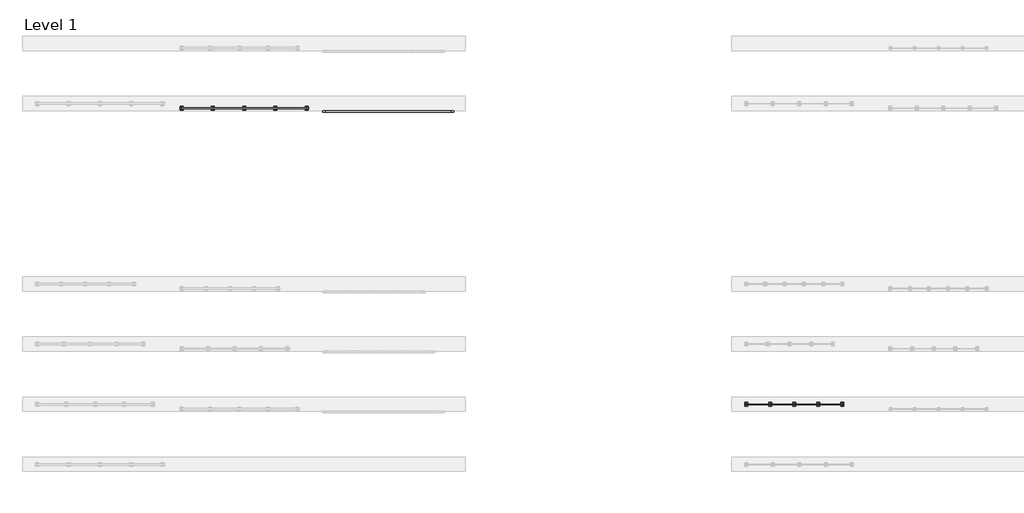
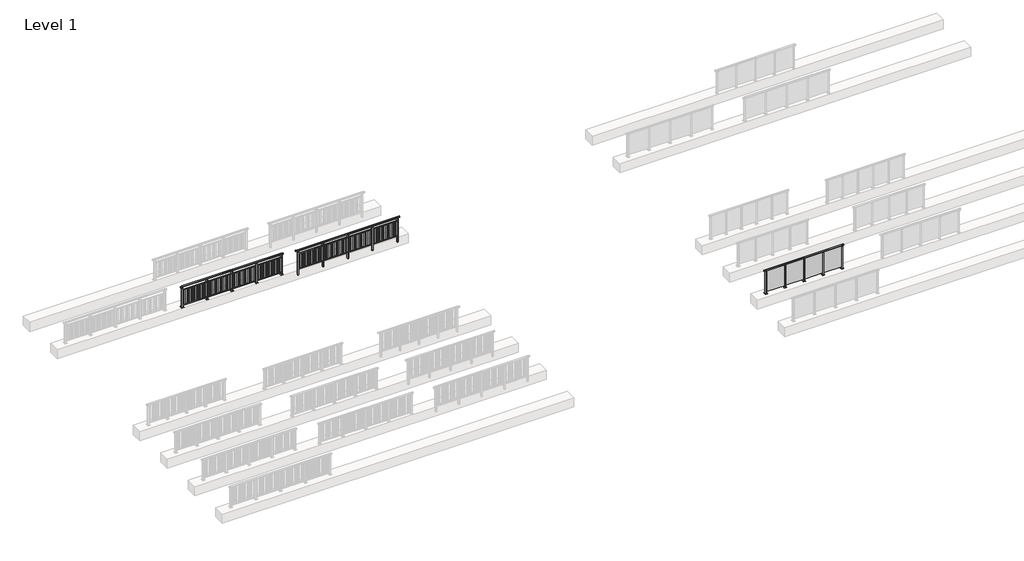
# One storey, part 16 of 38: 3 railings.
"""IFC4 building model written with IfcOpenShell, lengths in millimetres."""

from ifc_helpers import new_model, si_unit, frame, origin, origin_with_axes, place, context, project, spatial, polyline, outline, extrude, faceted_brep, element, save

model = new_model("IFC4")

# Units and contexts
model_context = context("Model", 3, world=origin())
ifc_project = project(units=[si_unit("LENGTHUNIT", "METRE", prefix="MILLI")], contexts=[model_context])

# Site, building, storey
site = spatial("IfcSite", under=ifc_project)
building = spatial("IfcBuilding", under=site)
storey = spatial("IfcBuildingStorey", under=building, Name="Level 1", Elevation=0.0)

# Railings
placement = place(None, origin())
element("IfcRailing", 1, at=placement, inside=storey, context=model_context, shape_type="SolidModel", body=[
    faceted_brep([(12000.0, 29897.6846828, 1102.5), (12000.0, 29897.6846828, 1150.0), (17200.0, 29897.6846828, 1150.0), (17200.0, 29897.6846828, 1102.5), (12000.0, 29837.6846828, 1102.5), (17200.0, 29837.6846828, 1102.5), (12000.0, 29837.6846828, 1150.0), (17200.0, 29837.6846828, 1150.0), (11877.0, 29897.6846828, 1150.0), (11877.0, 29897.6846828, 1102.5), (11877.0, 29837.6846828, 1102.5), (11877.0, 29837.6846828, 1150.0), (17323.0, 29897.6846828, 1150.0), (17323.0, 29837.6846828, 1150.0), (17323.0, 29837.6846828, 1102.5), (17323.0, 29897.6846828, 1102.5)], [[[0, 1, 2, 3]], [[4, 0, 3, 5]], [[6, 4, 5, 7]], [[1, 6, 7, 2]], [[8, 9, 10, 11]], [[9, 8, 1, 0]], [[10, 9, 0, 4]], [[11, 10, 4, 6]], [[8, 11, 6, 1]], [[12, 13, 14, 15]], [[3, 2, 12, 15]], [[5, 3, 15, 14]], [[7, 5, 14, 13]], [[2, 7, 13, 12]]]),
    extrude(outline(polyline([(12000.0, 29849.6846828), (12000.0, 29885.6846828), (17200.0, 29885.6846828), (17200.0, 29849.6846828), (12000.0, 29849.6846828)])), frame((0.0, 0.0, 928.0), z_axis=(0.0, 0.0, 1.0), x_axis=(1.0, 0.0, 0.0)), (0.0, 0.0, 1.0), 32.0),
    extrude(outline(polyline([(12000.0, 29849.6846828), (12000.0, 29885.6846828), (17200.0, 29885.6846828), (17200.0, 29849.6846828), (12000.0, 29849.6846828)])), frame((0.0, 0.0, 93.0), z_axis=(0.0, 0.0, 1.0), x_axis=(1.0, 0.0, 0.0)), (0.0, 0.0, 1.0), 32.0),
    extrude(outline(polyline([(17078.5106952, 29859.1846828), (17029.5106952, 29859.1846828), (17029.5106952, 29876.1846828), (17078.5106952, 29876.1846828), (17078.5106952, 29859.1846828)])), frame((0.0, 0.0, 125.0), z_axis=(0.0, 0.0, 1.0), x_axis=(1.0, 0.0, 0.0)), (0.0, 0.0, 1.0), 803.0),
    extrude(outline(polyline([(16934.5076394, 29859.1846828), (16885.5076394, 29859.1846828), (16885.5076394, 29876.1846828), (16934.5076394, 29876.1846828), (16934.5076394, 29859.1846828)])), frame((0.0, 0.0, 125.0), z_axis=(0.0, 0.0, 1.0), x_axis=(1.0, 0.0, 0.0)), (0.0, 0.0, 1.0), 803.0),
    extrude(outline(polyline([(16790.5045837, 29859.1846828), (16741.5045837, 29859.1846828), (16741.5045837, 29876.1846828), (16790.5045837, 29876.1846828), (16790.5045837, 29859.1846828)])), frame((0.0, 0.0, 125.0), z_axis=(0.0, 0.0, 1.0), x_axis=(1.0, 0.0, 0.0)), (0.0, 0.0, 1.0), 803.0),
    extrude(outline(polyline([(16646.5015279, 29859.1846828), (16597.5015279, 29859.1846828), (16597.5015279, 29876.1846828), (16646.5015279, 29876.1846828), (16646.5015279, 29859.1846828)])), frame((0.0, 0.0, 125.0), z_axis=(0.0, 0.0, 1.0), x_axis=(1.0, 0.0, 0.0)), (0.0, 0.0, 1.0), 803.0),
    extrude(outline(polyline([(16502.4984721, 29859.1846828), (16453.4984721, 29859.1846828), (16453.4984721, 29876.1846828), (16502.4984721, 29876.1846828), (16502.4984721, 29859.1846828)])), frame((0.0, 0.0, 125.0), z_axis=(0.0, 0.0, 1.0), x_axis=(1.0, 0.0, 0.0)), (0.0, 0.0, 1.0), 803.0),
    extrude(outline(polyline([(16358.4954163, 29859.1846828), (16309.4954163, 29859.1846828), (16309.4954163, 29876.1846828), (16358.4954163, 29876.1846828), (16358.4954163, 29859.1846828)])), frame((0.0, 0.0, 125.0), z_axis=(0.0, 0.0, 1.0), x_axis=(1.0, 0.0, 0.0)), (0.0, 0.0, 1.0), 803.0),
    extrude(outline(polyline([(16214.4923606, 29859.1846828), (16165.4923606, 29859.1846828), (16165.4923606, 29876.1846828), (16214.4923606, 29876.1846828), (16214.4923606, 29859.1846828)])), frame((0.0, 0.0, 125.0), z_axis=(0.0, 0.0, 1.0), x_axis=(1.0, 0.0, 0.0)), (0.0, 0.0, 1.0), 803.0),
    extrude(outline(polyline([(16070.4893048, 29859.1846828), (16021.4893048, 29859.1846828), (16021.4893048, 29876.1846828), (16070.4893048, 29876.1846828), (16070.4893048, 29859.1846828)])), frame((0.0, 0.0, 125.0), z_axis=(0.0, 0.0, 1.0), x_axis=(1.0, 0.0, 0.0)), (0.0, 0.0, 1.0), 803.0),
    extrude(outline(polyline([(15927.0, 29906.6846828), (15927.0, 29828.6846828), (15873.0, 29828.6846828), (15873.0, 29906.6846828), (15927.0, 29906.6846828)])), frame((0.0, 0.0, 1077.0), z_axis=(0.0, 0.0, 1.0), x_axis=(1.0, 0.0, 0.0)), (0.0, 0.0, 1.0), 8.0),
    extrude(outline(polyline([(15927.0, 29906.6846828), (15927.0, 29828.6846828), (15873.0, 29828.6846828), (15873.0, 29906.6846828), (15927.0, 29906.6846828)])), frame((0.0, 0.0, -212.0), z_axis=(0.0, 0.0, 1.0), x_axis=(1.0, 0.0, 0.0)), (0.0, 0.0, 1.0), 1289.0),
    extrude(outline(polyline([(15910.0, 29877.6846828), (15910.0, 29857.6846828), (15890.0, 29857.6846828), (15890.0, 29877.6846828), (15910.0, 29877.6846828)])), frame((0.0, 0.0, 1085.0), z_axis=(0.0, 0.0, 1.0), x_axis=(1.0, 0.0, 0.0)), (0.0, 0.0, 1.0), 20.0),
    extrude(outline(polyline([(15927.0, 29906.6846828), (15927.0, 29828.6846828), (15873.0, 29828.6846828), (15873.0, 29906.6846828), (15927.0, 29906.6846828)])), frame((0.0, 0.0, -220.0), z_axis=(0.0, 0.0, 1.0), x_axis=(1.0, 0.0, 0.0)), (0.0, 0.0, 1.0), 8.0),
    extrude(outline(polyline([(15778.5106952, 29859.1846828), (15729.5106952, 29859.1846828), (15729.5106952, 29876.1846828), (15778.5106952, 29876.1846828), (15778.5106952, 29859.1846828)])), frame((0.0, 0.0, 125.0), z_axis=(0.0, 0.0, 1.0), x_axis=(1.0, 0.0, 0.0)), (0.0, 0.0, 1.0), 803.0),
    extrude(outline(polyline([(15634.5076394, 29859.1846828), (15585.5076394, 29859.1846828), (15585.5076394, 29876.1846828), (15634.5076394, 29876.1846828), (15634.5076394, 29859.1846828)])), frame((0.0, 0.0, 125.0), z_axis=(0.0, 0.0, 1.0), x_axis=(1.0, 0.0, 0.0)), (0.0, 0.0, 1.0), 803.0),
    extrude(outline(polyline([(15490.5045837, 29859.1846828), (15441.5045837, 29859.1846828), (15441.5045837, 29876.1846828), (15490.5045837, 29876.1846828), (15490.5045837, 29859.1846828)])), frame((0.0, 0.0, 125.0), z_axis=(0.0, 0.0, 1.0), x_axis=(1.0, 0.0, 0.0)), (0.0, 0.0, 1.0), 803.0),
    extrude(outline(polyline([(15346.5015279, 29859.1846828), (15297.5015279, 29859.1846828), (15297.5015279, 29876.1846828), (15346.5015279, 29876.1846828), (15346.5015279, 29859.1846828)])), frame((0.0, 0.0, 125.0), z_axis=(0.0, 0.0, 1.0), x_axis=(1.0, 0.0, 0.0)), (0.0, 0.0, 1.0), 803.0),
    extrude(outline(polyline([(15202.4984721, 29859.1846828), (15153.4984721, 29859.1846828), (15153.4984721, 29876.1846828), (15202.4984721, 29876.1846828), (15202.4984721, 29859.1846828)])), frame((0.0, 0.0, 125.0), z_axis=(0.0, 0.0, 1.0), x_axis=(1.0, 0.0, 0.0)), (0.0, 0.0, 1.0), 803.0),
    extrude(outline(polyline([(15058.4954163, 29859.1846828), (15009.4954163, 29859.1846828), (15009.4954163, 29876.1846828), (15058.4954163, 29876.1846828), (15058.4954163, 29859.1846828)])), frame((0.0, 0.0, 125.0), z_axis=(0.0, 0.0, 1.0), x_axis=(1.0, 0.0, 0.0)), (0.0, 0.0, 1.0), 803.0),
    extrude(outline(polyline([(14914.4923606, 29859.1846828), (14865.4923606, 29859.1846828), (14865.4923606, 29876.1846828), (14914.4923606, 29876.1846828), (14914.4923606, 29859.1846828)])), frame((0.0, 0.0, 125.0), z_axis=(0.0, 0.0, 1.0), x_axis=(1.0, 0.0, 0.0)), (0.0, 0.0, 1.0), 803.0),
    extrude(outline(polyline([(14770.4893048, 29859.1846828), (14721.4893048, 29859.1846828), (14721.4893048, 29876.1846828), (14770.4893048, 29876.1846828), (14770.4893048, 29859.1846828)])), frame((0.0, 0.0, 125.0), z_axis=(0.0, 0.0, 1.0), x_axis=(1.0, 0.0, 0.0)), (0.0, 0.0, 1.0), 803.0),
    extrude(outline(polyline([(14627.0, 29906.6846828), (14627.0, 29828.6846828), (14573.0, 29828.6846828), (14573.0, 29906.6846828), (14627.0, 29906.6846828)])), frame((0.0, 0.0, 1077.0), z_axis=(0.0, 0.0, 1.0), x_axis=(1.0, 0.0, 0.0)), (0.0, 0.0, 1.0), 8.0),
    extrude(outline(polyline([(14627.0, 29906.6846828), (14627.0, 29828.6846828), (14573.0, 29828.6846828), (14573.0, 29906.6846828), (14627.0, 29906.6846828)])), frame((0.0, 0.0, -212.0), z_axis=(0.0, 0.0, 1.0), x_axis=(1.0, 0.0, 0.0)), (0.0, 0.0, 1.0), 1289.0),
    extrude(outline(polyline([(14610.0, 29877.6846828), (14610.0, 29857.6846828), (14590.0, 29857.6846828), (14590.0, 29877.6846828), (14610.0, 29877.6846828)])), frame((0.0, 0.0, 1085.0), z_axis=(0.0, 0.0, 1.0), x_axis=(1.0, 0.0, 0.0)), (0.0, 0.0, 1.0), 20.0),
    extrude(outline(polyline([(14627.0, 29906.6846828), (14627.0, 29828.6846828), (14573.0, 29828.6846828), (14573.0, 29906.6846828), (14627.0, 29906.6846828)])), frame((0.0, 0.0, -220.0), z_axis=(0.0, 0.0, 1.0), x_axis=(1.0, 0.0, 0.0)), (0.0, 0.0, 1.0), 8.0),
    extrude(outline(polyline([(14478.5106952, 29859.1846828), (14429.5106952, 29859.1846828), (14429.5106952, 29876.1846828), (14478.5106952, 29876.1846828), (14478.5106952, 29859.1846828)])), frame((0.0, 0.0, 125.0), z_axis=(0.0, 0.0, 1.0), x_axis=(1.0, 0.0, 0.0)), (0.0, 0.0, 1.0), 803.0),
    extrude(outline(polyline([(14334.5076394, 29859.1846828), (14285.5076394, 29859.1846828), (14285.5076394, 29876.1846828), (14334.5076394, 29876.1846828), (14334.5076394, 29859.1846828)])), frame((0.0, 0.0, 125.0), z_axis=(0.0, 0.0, 1.0), x_axis=(1.0, 0.0, 0.0)), (0.0, 0.0, 1.0), 803.0),
    extrude(outline(polyline([(14190.5045837, 29859.1846828), (14141.5045837, 29859.1846828), (14141.5045837, 29876.1846828), (14190.5045837, 29876.1846828), (14190.5045837, 29859.1846828)])), frame((0.0, 0.0, 125.0), z_axis=(0.0, 0.0, 1.0), x_axis=(1.0, 0.0, 0.0)), (0.0, 0.0, 1.0), 803.0),
    extrude(outline(polyline([(14046.5015279, 29859.1846828), (13997.5015279, 29859.1846828), (13997.5015279, 29876.1846828), (14046.5015279, 29876.1846828), (14046.5015279, 29859.1846828)])), frame((0.0, 0.0, 125.0), z_axis=(0.0, 0.0, 1.0), x_axis=(1.0, 0.0, 0.0)), (0.0, 0.0, 1.0), 803.0),
    extrude(outline(polyline([(13902.4984721, 29859.1846828), (13853.4984721, 29859.1846828), (13853.4984721, 29876.1846828), (13902.4984721, 29876.1846828), (13902.4984721, 29859.1846828)])), frame((0.0, 0.0, 125.0), z_axis=(0.0, 0.0, 1.0), x_axis=(1.0, 0.0, 0.0)), (0.0, 0.0, 1.0), 803.0),
    extrude(outline(polyline([(13758.4954163, 29859.1846828), (13709.4954163, 29859.1846828), (13709.4954163, 29876.1846828), (13758.4954163, 29876.1846828), (13758.4954163, 29859.1846828)])), frame((0.0, 0.0, 125.0), z_axis=(0.0, 0.0, 1.0), x_axis=(1.0, 0.0, 0.0)), (0.0, 0.0, 1.0), 803.0),
    extrude(outline(polyline([(13614.4923606, 29859.1846828), (13565.4923606, 29859.1846828), (13565.4923606, 29876.1846828), (13614.4923606, 29876.1846828), (13614.4923606, 29859.1846828)])), frame((0.0, 0.0, 125.0), z_axis=(0.0, 0.0, 1.0), x_axis=(1.0, 0.0, 0.0)), (0.0, 0.0, 1.0), 803.0),
    extrude(outline(polyline([(13470.4893048, 29859.1846828), (13421.4893048, 29859.1846828), (13421.4893048, 29876.1846828), (13470.4893048, 29876.1846828), (13470.4893048, 29859.1846828)])), frame((0.0, 0.0, 125.0), z_axis=(0.0, 0.0, 1.0), x_axis=(1.0, 0.0, 0.0)), (0.0, 0.0, 1.0), 803.0),
    extrude(outline(polyline([(13327.0, 29906.6846828), (13327.0, 29828.6846828), (13273.0, 29828.6846828), (13273.0, 29906.6846828), (13327.0, 29906.6846828)])), frame((0.0, 0.0, 1077.0), z_axis=(0.0, 0.0, 1.0), x_axis=(1.0, 0.0, 0.0)), (0.0, 0.0, 1.0), 8.0),
    extrude(outline(polyline([(13327.0, 29906.6846828), (13327.0, 29828.6846828), (13273.0, 29828.6846828), (13273.0, 29906.6846828), (13327.0, 29906.6846828)])), frame((0.0, 0.0, -212.0), z_axis=(0.0, 0.0, 1.0), x_axis=(1.0, 0.0, 0.0)), (0.0, 0.0, 1.0), 1289.0),
    extrude(outline(polyline([(13310.0, 29877.6846828), (13310.0, 29857.6846828), (13290.0, 29857.6846828), (13290.0, 29877.6846828), (13310.0, 29877.6846828)])), frame((0.0, 0.0, 1085.0), z_axis=(0.0, 0.0, 1.0), x_axis=(1.0, 0.0, 0.0)), (0.0, 0.0, 1.0), 20.0),
    extrude(outline(polyline([(13327.0, 29906.6846828), (13327.0, 29828.6846828), (13273.0, 29828.6846828), (13273.0, 29906.6846828), (13327.0, 29906.6846828)])), frame((0.0, 0.0, -220.0), z_axis=(0.0, 0.0, 1.0), x_axis=(1.0, 0.0, 0.0)), (0.0, 0.0, 1.0), 8.0),
    extrude(outline(polyline([(13178.5106952, 29859.1846828), (13129.5106952, 29859.1846828), (13129.5106952, 29876.1846828), (13178.5106952, 29876.1846828), (13178.5106952, 29859.1846828)])), frame((0.0, 0.0, 125.0), z_axis=(0.0, 0.0, 1.0), x_axis=(1.0, 0.0, 0.0)), (0.0, 0.0, 1.0), 803.0),
    extrude(outline(polyline([(13034.5076394, 29859.1846828), (12985.5076394, 29859.1846828), (12985.5076394, 29876.1846828), (13034.5076394, 29876.1846828), (13034.5076394, 29859.1846828)])), frame((0.0, 0.0, 125.0), z_axis=(0.0, 0.0, 1.0), x_axis=(1.0, 0.0, 0.0)), (0.0, 0.0, 1.0), 803.0),
    extrude(outline(polyline([(12890.5045837, 29859.1846828), (12841.5045837, 29859.1846828), (12841.5045837, 29876.1846828), (12890.5045837, 29876.1846828), (12890.5045837, 29859.1846828)])), frame((0.0, 0.0, 125.0), z_axis=(0.0, 0.0, 1.0), x_axis=(1.0, 0.0, 0.0)), (0.0, 0.0, 1.0), 803.0),
    extrude(outline(polyline([(12746.5015279, 29859.1846828), (12697.5015279, 29859.1846828), (12697.5015279, 29876.1846828), (12746.5015279, 29876.1846828), (12746.5015279, 29859.1846828)])), frame((0.0, 0.0, 125.0), z_axis=(0.0, 0.0, 1.0), x_axis=(1.0, 0.0, 0.0)), (0.0, 0.0, 1.0), 803.0),
    extrude(outline(polyline([(12602.4984721, 29859.1846828), (12553.4984721, 29859.1846828), (12553.4984721, 29876.1846828), (12602.4984721, 29876.1846828), (12602.4984721, 29859.1846828)])), frame((0.0, 0.0, 125.0), z_axis=(0.0, 0.0, 1.0), x_axis=(1.0, 0.0, 0.0)), (0.0, 0.0, 1.0), 803.0),
    extrude(outline(polyline([(12458.4954163, 29859.1846828), (12409.4954163, 29859.1846828), (12409.4954163, 29876.1846828), (12458.4954163, 29876.1846828), (12458.4954163, 29859.1846828)])), frame((0.0, 0.0, 125.0), z_axis=(0.0, 0.0, 1.0), x_axis=(1.0, 0.0, 0.0)), (0.0, 0.0, 1.0), 803.0),
    extrude(outline(polyline([(12314.4923606, 29859.1846828), (12265.4923606, 29859.1846828), (12265.4923606, 29876.1846828), (12314.4923606, 29876.1846828), (12314.4923606, 29859.1846828)])), frame((0.0, 0.0, 125.0), z_axis=(0.0, 0.0, 1.0), x_axis=(1.0, 0.0, 0.0)), (0.0, 0.0, 1.0), 803.0),
    extrude(outline(polyline([(12170.4893048, 29859.1846828), (12121.4893048, 29859.1846828), (12121.4893048, 29876.1846828), (12170.4893048, 29876.1846828), (12170.4893048, 29859.1846828)])), frame((0.0, 0.0, 125.0), z_axis=(0.0, 0.0, 1.0), x_axis=(1.0, 0.0, 0.0)), (0.0, 0.0, 1.0), 803.0),
    extrude(outline(polyline([(17227.0, 29906.6846828), (17227.0, 29828.6846828), (17173.0, 29828.6846828), (17173.0, 29906.6846828), (17227.0, 29906.6846828)])), frame((0.0, 0.0, 1077.0), z_axis=(0.0, 0.0, 1.0), x_axis=(1.0, 0.0, 0.0)), (0.0, 0.0, 1.0), 8.0),
    extrude(outline(polyline([(17227.0, 29906.6846828), (17227.0, 29828.6846828), (17173.0, 29828.6846828), (17173.0, 29906.6846828), (17227.0, 29906.6846828)])), frame((0.0, 0.0, -212.0), z_axis=(0.0, 0.0, 1.0), x_axis=(1.0, 0.0, 0.0)), (0.0, 0.0, 1.0), 1289.0),
    extrude(outline(polyline([(17210.0, 29877.6846828), (17210.0, 29857.6846828), (17190.0, 29857.6846828), (17190.0, 29877.6846828), (17210.0, 29877.6846828)])), frame((0.0, 0.0, 1085.0), z_axis=(0.0, 0.0, 1.0), x_axis=(1.0, 0.0, 0.0)), (0.0, 0.0, 1.0), 20.0),
    extrude(outline(polyline([(17227.0, 29906.6846828), (17227.0, 29828.6846828), (17173.0, 29828.6846828), (17173.0, 29906.6846828), (17227.0, 29906.6846828)])), frame((0.0, 0.0, -220.0), z_axis=(0.0, 0.0, 1.0), x_axis=(1.0, 0.0, 0.0)), (0.0, 0.0, 1.0), 8.0),
    extrude(outline(polyline([(12027.0, 29906.6846828), (12027.0, 29828.6846828), (11973.0, 29828.6846828), (11973.0, 29906.6846828), (12027.0, 29906.6846828)])), frame((0.0, 0.0, 1077.0), z_axis=(0.0, 0.0, 1.0), x_axis=(1.0, 0.0, 0.0)), (0.0, 0.0, 1.0), 8.0),
    extrude(outline(polyline([(12027.0, 29906.6846828), (12027.0, 29828.6846828), (11973.0, 29828.6846828), (11973.0, 29906.6846828), (12027.0, 29906.6846828)])), frame((0.0, 0.0, -212.0), z_axis=(0.0, 0.0, 1.0), x_axis=(1.0, 0.0, 0.0)), (0.0, 0.0, 1.0), 1289.0),
    extrude(outline(polyline([(12010.0, 29877.6846828), (12010.0, 29857.6846828), (11990.0, 29857.6846828), (11990.0, 29877.6846828), (12010.0, 29877.6846828)])), frame((0.0, 0.0, 1085.0), z_axis=(0.0, 0.0, 1.0), x_axis=(1.0, 0.0, 0.0)), (0.0, 0.0, 1.0), 20.0),
    extrude(outline(polyline([(12027.0, 29906.6846828), (12027.0, 29828.6846828), (11973.0, 29828.6846828), (11973.0, 29906.6846828), (12027.0, 29906.6846828)])), frame((0.0, 0.0, -220.0), z_axis=(0.0, 0.0, 1.0), x_axis=(1.0, 0.0, 0.0)), (0.0, 0.0, 1.0), 8.0),
])
element("IfcRailing", 2, at=placement, inside=storey, context=model_context, shape_type="SolidModel", body=[
    faceted_brep([(6000.0, 30030.1846828, 1102.5), (6000.0, 30030.1846828, 1150.0), (11200.0, 30030.1846828, 1150.0), (11200.0, 30030.1846828, 1102.5), (6000.0, 29970.1846828, 1102.5), (11200.0, 29970.1846828, 1102.5), (6000.0, 29970.1846828, 1150.0), (11200.0, 29970.1846828, 1150.0), (5912.5, 30030.1846828, 1150.0), (5912.5, 30030.1846828, 1102.5), (5912.5, 29970.1846828, 1102.5), (5912.5, 29970.1846828, 1150.0), (11287.5, 30030.1846828, 1150.0), (11287.5, 29970.1846828, 1150.0), (11287.5, 29970.1846828, 1102.5), (11287.5, 30030.1846828, 1102.5)], [[[0, 1, 2, 3]], [[4, 0, 3, 5]], [[6, 4, 5, 7]], [[1, 6, 7, 2]], [[8, 9, 10, 11]], [[9, 8, 1, 0]], [[10, 9, 0, 4]], [[11, 10, 4, 6]], [[8, 11, 6, 1]], [[12, 13, 14, 15]], [[3, 2, 12, 15]], [[5, 3, 15, 14]], [[7, 5, 14, 13]], [[2, 7, 13, 12]]]),
    extrude(outline(polyline([(6000.0, 29982.1846828), (6000.0, 30018.1846828), (11200.0, 30018.1846828), (11200.0, 29982.1846828), (6000.0, 29982.1846828)])), frame((0.0, 0.0, 928.0), z_axis=(0.0, 0.0, 1.0), x_axis=(1.0, 0.0, 0.0)), (0.0, 0.0, 1.0), 32.0),
    extrude(outline(polyline([(6000.0, 29982.1846828), (6000.0, 30018.1846828), (11200.0, 30018.1846828), (11200.0, 29982.1846828), (6000.0, 29982.1846828)])), frame((0.0, 0.0, 93.0), z_axis=(0.0, 0.0, 1.0), x_axis=(1.0, 0.0, 0.0)), (0.0, 0.0, 1.0), 32.0),
    extrude(outline(polyline([(11078.5106952, 30008.6846828), (11078.5106952, 29991.6846828), (11029.5106952, 29991.6846828), (11029.5106952, 30008.6846828), (11078.5106952, 30008.6846828)])), frame((0.0, 0.0, 125.0), z_axis=(0.0, 0.0, 1.0), x_axis=(1.0, 0.0, 0.0)), (0.0, 0.0, 1.0), 803.0),
    extrude(outline(polyline([(10934.5076394, 30008.6846828), (10934.5076394, 29991.6846828), (10885.5076394, 29991.6846828), (10885.5076394, 30008.6846828), (10934.5076394, 30008.6846828)])), frame((0.0, 0.0, 125.0), z_axis=(0.0, 0.0, 1.0), x_axis=(1.0, 0.0, 0.0)), (0.0, 0.0, 1.0), 803.0),
    extrude(outline(polyline([(10790.5045837, 30008.6846828), (10790.5045837, 29991.6846828), (10741.5045837, 29991.6846828), (10741.5045837, 30008.6846828), (10790.5045837, 30008.6846828)])), frame((0.0, 0.0, 125.0), z_axis=(0.0, 0.0, 1.0), x_axis=(1.0, 0.0, 0.0)), (0.0, 0.0, 1.0), 803.0),
    extrude(outline(polyline([(10646.5015279, 30008.6846828), (10646.5015279, 29991.6846828), (10597.5015279, 29991.6846828), (10597.5015279, 30008.6846828), (10646.5015279, 30008.6846828)])), frame((0.0, 0.0, 125.0), z_axis=(0.0, 0.0, 1.0), x_axis=(1.0, 0.0, 0.0)), (0.0, 0.0, 1.0), 803.0),
    extrude(outline(polyline([(10502.4984721, 30008.6846828), (10502.4984721, 29991.6846828), (10453.4984721, 29991.6846828), (10453.4984721, 30008.6846828), (10502.4984721, 30008.6846828)])), frame((0.0, 0.0, 125.0), z_axis=(0.0, 0.0, 1.0), x_axis=(1.0, 0.0, 0.0)), (0.0, 0.0, 1.0), 803.0),
    extrude(outline(polyline([(10358.4954163, 30008.6846828), (10358.4954163, 29991.6846828), (10309.4954163, 29991.6846828), (10309.4954163, 30008.6846828), (10358.4954163, 30008.6846828)])), frame((0.0, 0.0, 125.0), z_axis=(0.0, 0.0, 1.0), x_axis=(1.0, 0.0, 0.0)), (0.0, 0.0, 1.0), 803.0),
    extrude(outline(polyline([(10214.4923606, 30008.6846828), (10214.4923606, 29991.6846828), (10165.4923606, 29991.6846828), (10165.4923606, 30008.6846828), (10214.4923606, 30008.6846828)])), frame((0.0, 0.0, 125.0), z_axis=(0.0, 0.0, 1.0), x_axis=(1.0, 0.0, 0.0)), (0.0, 0.0, 1.0), 803.0),
    extrude(outline(polyline([(10070.4893048, 30008.6846828), (10070.4893048, 29991.6846828), (10021.4893048, 29991.6846828), (10021.4893048, 30008.6846828), (10070.4893048, 30008.6846828)])), frame((0.0, 0.0, 125.0), z_axis=(0.0, 0.0, 1.0), x_axis=(1.0, 0.0, 0.0)), (0.0, 0.0, 1.0), 803.0),
    extrude(outline(polyline([(9910.0, 29990.1846828), (9890.0, 29990.1846828), (9890.0, 30010.1846828), (9910.0, 30010.1846828), (9910.0, 29990.1846828)])), frame((0.0, 0.0, 1085.0), z_axis=(0.0, 0.0, 1.0), x_axis=(1.0, 0.0, 0.0)), (0.0, 0.0, 1.0), 20.0),
    extrude(outline(polyline([(9927.0, 29961.1846828), (9873.0, 29961.1846828), (9873.0, 30039.1846828), (9927.0, 30039.1846828), (9927.0, 29961.1846828)])), frame((0.0, 0.0, 1077.0), z_axis=(0.0, 0.0, 1.0), x_axis=(1.0, 0.0, 0.0)), (0.0, 0.0, 1.0), 8.0),
    extrude(outline(polyline([(9962.5, 29925.1846828), (9837.5, 29925.1846828), (9837.5, 30075.1846828), (9962.5, 30075.1846828), (9962.5, 29925.1846828)])), origin_with_axes(), (0.0, 0.0, 1.0), 12.0),
    extrude(outline(polyline([(9927.0, 29961.1846828), (9873.0, 29961.1846828), (9873.0, 30039.1846828), (9927.0, 30039.1846828), (9927.0, 29961.1846828)])), frame((0.0, 0.0, 12.0), z_axis=(0.0, 0.0, 1.0), x_axis=(1.0, 0.0, 0.0)), (0.0, 0.0, 1.0), 1065.0),
    extrude(outline(polyline([(9778.5106952, 30008.6846828), (9778.5106952, 29991.6846828), (9729.5106952, 29991.6846828), (9729.5106952, 30008.6846828), (9778.5106952, 30008.6846828)])), frame((0.0, 0.0, 125.0), z_axis=(0.0, 0.0, 1.0), x_axis=(1.0, 0.0, 0.0)), (0.0, 0.0, 1.0), 803.0),
    extrude(outline(polyline([(9634.5076394, 30008.6846828), (9634.5076394, 29991.6846828), (9585.5076394, 29991.6846828), (9585.5076394, 30008.6846828), (9634.5076394, 30008.6846828)])), frame((0.0, 0.0, 125.0), z_axis=(0.0, 0.0, 1.0), x_axis=(1.0, 0.0, 0.0)), (0.0, 0.0, 1.0), 803.0),
    extrude(outline(polyline([(9490.5045837, 30008.6846828), (9490.5045837, 29991.6846828), (9441.5045837, 29991.6846828), (9441.5045837, 30008.6846828), (9490.5045837, 30008.6846828)])), frame((0.0, 0.0, 125.0), z_axis=(0.0, 0.0, 1.0), x_axis=(1.0, 0.0, 0.0)), (0.0, 0.0, 1.0), 803.0),
    extrude(outline(polyline([(9346.5015279, 30008.6846828), (9346.5015279, 29991.6846828), (9297.5015279, 29991.6846828), (9297.5015279, 30008.6846828), (9346.5015279, 30008.6846828)])), frame((0.0, 0.0, 125.0), z_axis=(0.0, 0.0, 1.0), x_axis=(1.0, 0.0, 0.0)), (0.0, 0.0, 1.0), 803.0),
    extrude(outline(polyline([(9202.4984721, 30008.6846828), (9202.4984721, 29991.6846828), (9153.4984721, 29991.6846828), (9153.4984721, 30008.6846828), (9202.4984721, 30008.6846828)])), frame((0.0, 0.0, 125.0), z_axis=(0.0, 0.0, 1.0), x_axis=(1.0, 0.0, 0.0)), (0.0, 0.0, 1.0), 803.0),
    extrude(outline(polyline([(9058.4954163, 30008.6846828), (9058.4954163, 29991.6846828), (9009.4954163, 29991.6846828), (9009.4954163, 30008.6846828), (9058.4954163, 30008.6846828)])), frame((0.0, 0.0, 125.0), z_axis=(0.0, 0.0, 1.0), x_axis=(1.0, 0.0, 0.0)), (0.0, 0.0, 1.0), 803.0),
    extrude(outline(polyline([(8914.4923606, 30008.6846828), (8914.4923606, 29991.6846828), (8865.4923606, 29991.6846828), (8865.4923606, 30008.6846828), (8914.4923606, 30008.6846828)])), frame((0.0, 0.0, 125.0), z_axis=(0.0, 0.0, 1.0), x_axis=(1.0, 0.0, 0.0)), (0.0, 0.0, 1.0), 803.0),
    extrude(outline(polyline([(8770.4893048, 30008.6846828), (8770.4893048, 29991.6846828), (8721.4893048, 29991.6846828), (8721.4893048, 30008.6846828), (8770.4893048, 30008.6846828)])), frame((0.0, 0.0, 125.0), z_axis=(0.0, 0.0, 1.0), x_axis=(1.0, 0.0, 0.0)), (0.0, 0.0, 1.0), 803.0),
    extrude(outline(polyline([(8610.0, 29990.1846828), (8590.0, 29990.1846828), (8590.0, 30010.1846828), (8610.0, 30010.1846828), (8610.0, 29990.1846828)])), frame((0.0, 0.0, 1085.0), z_axis=(0.0, 0.0, 1.0), x_axis=(1.0, 0.0, 0.0)), (0.0, 0.0, 1.0), 20.0),
    extrude(outline(polyline([(8627.0, 29961.1846828), (8573.0, 29961.1846828), (8573.0, 30039.1846828), (8627.0, 30039.1846828), (8627.0, 29961.1846828)])), frame((0.0, 0.0, 1077.0), z_axis=(0.0, 0.0, 1.0), x_axis=(1.0, 0.0, 0.0)), (0.0, 0.0, 1.0), 8.0),
    extrude(outline(polyline([(8662.5, 29925.1846828), (8537.5, 29925.1846828), (8537.5, 30075.1846828), (8662.5, 30075.1846828), (8662.5, 29925.1846828)])), origin_with_axes(), (0.0, 0.0, 1.0), 12.0),
    extrude(outline(polyline([(8627.0, 29961.1846828), (8573.0, 29961.1846828), (8573.0, 30039.1846828), (8627.0, 30039.1846828), (8627.0, 29961.1846828)])), frame((0.0, 0.0, 12.0), z_axis=(0.0, 0.0, 1.0), x_axis=(1.0, 0.0, 0.0)), (0.0, 0.0, 1.0), 1065.0),
    extrude(outline(polyline([(8478.5106952, 30008.6846828), (8478.5106952, 29991.6846828), (8429.5106952, 29991.6846828), (8429.5106952, 30008.6846828), (8478.5106952, 30008.6846828)])), frame((0.0, 0.0, 125.0), z_axis=(0.0, 0.0, 1.0), x_axis=(1.0, 0.0, 0.0)), (0.0, 0.0, 1.0), 803.0),
    extrude(outline(polyline([(8334.5076394, 30008.6846828), (8334.5076394, 29991.6846828), (8285.5076394, 29991.6846828), (8285.5076394, 30008.6846828), (8334.5076394, 30008.6846828)])), frame((0.0, 0.0, 125.0), z_axis=(0.0, 0.0, 1.0), x_axis=(1.0, 0.0, 0.0)), (0.0, 0.0, 1.0), 803.0),
    extrude(outline(polyline([(8190.5045837, 30008.6846828), (8190.5045837, 29991.6846828), (8141.5045837, 29991.6846828), (8141.5045837, 30008.6846828), (8190.5045837, 30008.6846828)])), frame((0.0, 0.0, 125.0), z_axis=(0.0, 0.0, 1.0), x_axis=(1.0, 0.0, 0.0)), (0.0, 0.0, 1.0), 803.0),
    extrude(outline(polyline([(8046.5015279, 30008.6846828), (8046.5015279, 29991.6846828), (7997.5015279, 29991.6846828), (7997.5015279, 30008.6846828), (8046.5015279, 30008.6846828)])), frame((0.0, 0.0, 125.0), z_axis=(0.0, 0.0, 1.0), x_axis=(1.0, 0.0, 0.0)), (0.0, 0.0, 1.0), 803.0),
    extrude(outline(polyline([(7902.4984721, 30008.6846828), (7902.4984721, 29991.6846828), (7853.4984721, 29991.6846828), (7853.4984721, 30008.6846828), (7902.4984721, 30008.6846828)])), frame((0.0, 0.0, 125.0), z_axis=(0.0, 0.0, 1.0), x_axis=(1.0, 0.0, 0.0)), (0.0, 0.0, 1.0), 803.0),
    extrude(outline(polyline([(7758.4954163, 30008.6846828), (7758.4954163, 29991.6846828), (7709.4954163, 29991.6846828), (7709.4954163, 30008.6846828), (7758.4954163, 30008.6846828)])), frame((0.0, 0.0, 125.0), z_axis=(0.0, 0.0, 1.0), x_axis=(1.0, 0.0, 0.0)), (0.0, 0.0, 1.0), 803.0),
    extrude(outline(polyline([(7614.4923606, 30008.6846828), (7614.4923606, 29991.6846828), (7565.4923606, 29991.6846828), (7565.4923606, 30008.6846828), (7614.4923606, 30008.6846828)])), frame((0.0, 0.0, 125.0), z_axis=(0.0, 0.0, 1.0), x_axis=(1.0, 0.0, 0.0)), (0.0, 0.0, 1.0), 803.0),
    extrude(outline(polyline([(7470.4893048, 30008.6846828), (7470.4893048, 29991.6846828), (7421.4893048, 29991.6846828), (7421.4893048, 30008.6846828), (7470.4893048, 30008.6846828)])), frame((0.0, 0.0, 125.0), z_axis=(0.0, 0.0, 1.0), x_axis=(1.0, 0.0, 0.0)), (0.0, 0.0, 1.0), 803.0),
    extrude(outline(polyline([(7310.0, 29990.1846828), (7290.0, 29990.1846828), (7290.0, 30010.1846828), (7310.0, 30010.1846828), (7310.0, 29990.1846828)])), frame((0.0, 0.0, 1085.0), z_axis=(0.0, 0.0, 1.0), x_axis=(1.0, 0.0, 0.0)), (0.0, 0.0, 1.0), 20.0),
    extrude(outline(polyline([(7327.0, 29961.1846828), (7273.0, 29961.1846828), (7273.0, 30039.1846828), (7327.0, 30039.1846828), (7327.0, 29961.1846828)])), frame((0.0, 0.0, 1077.0), z_axis=(0.0, 0.0, 1.0), x_axis=(1.0, 0.0, 0.0)), (0.0, 0.0, 1.0), 8.0),
    extrude(outline(polyline([(7362.5, 29925.1846828), (7237.5, 29925.1846828), (7237.5, 30075.1846828), (7362.5, 30075.1846828), (7362.5, 29925.1846828)])), origin_with_axes(), (0.0, 0.0, 1.0), 12.0),
    extrude(outline(polyline([(7327.0, 29961.1846828), (7273.0, 29961.1846828), (7273.0, 30039.1846828), (7327.0, 30039.1846828), (7327.0, 29961.1846828)])), frame((0.0, 0.0, 12.0), z_axis=(0.0, 0.0, 1.0), x_axis=(1.0, 0.0, 0.0)), (0.0, 0.0, 1.0), 1065.0),
    extrude(outline(polyline([(7178.5106952, 30008.6846828), (7178.5106952, 29991.6846828), (7129.5106952, 29991.6846828), (7129.5106952, 30008.6846828), (7178.5106952, 30008.6846828)])), frame((0.0, 0.0, 125.0), z_axis=(0.0, 0.0, 1.0), x_axis=(1.0, 0.0, 0.0)), (0.0, 0.0, 1.0), 803.0),
    extrude(outline(polyline([(7034.5076394, 30008.6846828), (7034.5076394, 29991.6846828), (6985.5076394, 29991.6846828), (6985.5076394, 30008.6846828), (7034.5076394, 30008.6846828)])), frame((0.0, 0.0, 125.0), z_axis=(0.0, 0.0, 1.0), x_axis=(1.0, 0.0, 0.0)), (0.0, 0.0, 1.0), 803.0),
    extrude(outline(polyline([(6890.5045837, 30008.6846828), (6890.5045837, 29991.6846828), (6841.5045837, 29991.6846828), (6841.5045837, 30008.6846828), (6890.5045837, 30008.6846828)])), frame((0.0, 0.0, 125.0), z_axis=(0.0, 0.0, 1.0), x_axis=(1.0, 0.0, 0.0)), (0.0, 0.0, 1.0), 803.0),
    extrude(outline(polyline([(6746.5015279, 30008.6846828), (6746.5015279, 29991.6846828), (6697.5015279, 29991.6846828), (6697.5015279, 30008.6846828), (6746.5015279, 30008.6846828)])), frame((0.0, 0.0, 125.0), z_axis=(0.0, 0.0, 1.0), x_axis=(1.0, 0.0, 0.0)), (0.0, 0.0, 1.0), 803.0),
    extrude(outline(polyline([(6602.4984721, 30008.6846828), (6602.4984721, 29991.6846828), (6553.4984721, 29991.6846828), (6553.4984721, 30008.6846828), (6602.4984721, 30008.6846828)])), frame((0.0, 0.0, 125.0), z_axis=(0.0, 0.0, 1.0), x_axis=(1.0, 0.0, 0.0)), (0.0, 0.0, 1.0), 803.0),
    extrude(outline(polyline([(6458.4954163, 30008.6846828), (6458.4954163, 29991.6846828), (6409.4954163, 29991.6846828), (6409.4954163, 30008.6846828), (6458.4954163, 30008.6846828)])), frame((0.0, 0.0, 125.0), z_axis=(0.0, 0.0, 1.0), x_axis=(1.0, 0.0, 0.0)), (0.0, 0.0, 1.0), 803.0),
    extrude(outline(polyline([(6314.4923606, 30008.6846828), (6314.4923606, 29991.6846828), (6265.4923606, 29991.6846828), (6265.4923606, 30008.6846828), (6314.4923606, 30008.6846828)])), frame((0.0, 0.0, 125.0), z_axis=(0.0, 0.0, 1.0), x_axis=(1.0, 0.0, 0.0)), (0.0, 0.0, 1.0), 803.0),
    extrude(outline(polyline([(6170.4893048, 30008.6846828), (6170.4893048, 29991.6846828), (6121.4893048, 29991.6846828), (6121.4893048, 30008.6846828), (6170.4893048, 30008.6846828)])), frame((0.0, 0.0, 125.0), z_axis=(0.0, 0.0, 1.0), x_axis=(1.0, 0.0, 0.0)), (0.0, 0.0, 1.0), 803.0),
    extrude(outline(polyline([(11210.0, 29990.1846828), (11190.0, 29990.1846828), (11190.0, 30010.1846828), (11210.0, 30010.1846828), (11210.0, 29990.1846828)])), frame((0.0, 0.0, 1085.0), z_axis=(0.0, 0.0, 1.0), x_axis=(1.0, 0.0, 0.0)), (0.0, 0.0, 1.0), 20.0),
    extrude(outline(polyline([(11227.0, 29961.1846828), (11173.0, 29961.1846828), (11173.0, 30039.1846828), (11227.0, 30039.1846828), (11227.0, 29961.1846828)])), frame((0.0, 0.0, 1077.0), z_axis=(0.0, 0.0, 1.0), x_axis=(1.0, 0.0, 0.0)), (0.0, 0.0, 1.0), 8.0),
    extrude(outline(polyline([(11262.5, 29925.1846828), (11137.5, 29925.1846828), (11137.5, 30075.1846828), (11262.5, 30075.1846828), (11262.5, 29925.1846828)])), origin_with_axes(), (0.0, 0.0, 1.0), 12.0),
    extrude(outline(polyline([(11227.0, 29961.1846828), (11173.0, 29961.1846828), (11173.0, 30039.1846828), (11227.0, 30039.1846828), (11227.0, 29961.1846828)])), frame((0.0, 0.0, 12.0), z_axis=(0.0, 0.0, 1.0), x_axis=(1.0, 0.0, 0.0)), (0.0, 0.0, 1.0), 1065.0),
    extrude(outline(polyline([(6010.0, 29990.1846828), (5990.0, 29990.1846828), (5990.0, 30010.1846828), (6010.0, 30010.1846828), (6010.0, 29990.1846828)])), frame((0.0, 0.0, 1085.0), z_axis=(0.0, 0.0, 1.0), x_axis=(1.0, 0.0, 0.0)), (0.0, 0.0, 1.0), 20.0),
    extrude(outline(polyline([(6027.0, 29961.1846828), (5973.0, 29961.1846828), (5973.0, 30039.1846828), (6027.0, 30039.1846828), (6027.0, 29961.1846828)])), frame((0.0, 0.0, 1077.0), z_axis=(0.0, 0.0, 1.0), x_axis=(1.0, 0.0, 0.0)), (0.0, 0.0, 1.0), 8.0),
    extrude(outline(polyline([(6062.5, 29925.1846828), (5937.5, 29925.1846828), (5937.5, 30075.1846828), (6062.5, 30075.1846828), (6062.5, 29925.1846828)])), origin_with_axes(), (0.0, 0.0, 1.0), 12.0),
    extrude(outline(polyline([(6027.0, 29961.1846828), (5973.0, 29961.1846828), (5973.0, 30039.1846828), (6027.0, 30039.1846828), (6027.0, 29961.1846828)])), frame((0.0, 0.0, 12.0), z_axis=(0.0, 0.0, 1.0), x_axis=(1.0, 0.0, 0.0)), (0.0, 0.0, 1.0), 1065.0),
])
element("IfcRailing", 3, at=placement, inside=storey, context=model_context, shape_type="SolidModel", body=[
    faceted_brep([(29388.6884576, 17720.1846828, 1300.0), (29388.6884576, 17720.1846828, 1252.5), (29388.6884576, 17660.1846828, 1252.5), (29388.6884576, 17660.1846828, 1300.0), (29476.1884576, 17720.1846828, 1300.0), (29476.1884576, 17720.1846828, 1252.5), (29476.1884576, 17660.1846828, 1252.5), (29476.1884576, 17660.1846828, 1300.0), (33476.1884576, 17720.1846828, 1300.0), (33476.1884576, 17720.1846828, 1252.5), (33476.1884576, 17660.1846828, 1252.5), (33476.1884576, 17660.1846828, 1300.0), (33563.6884576, 17720.1846828, 1300.0), (33563.6884576, 17660.1846828, 1300.0), (33563.6884576, 17660.1846828, 1252.5), (33563.6884576, 17720.1846828, 1252.5)], [[[0, 1, 2, 3]], [[1, 0, 4, 5]], [[2, 1, 5, 6]], [[3, 2, 6, 7]], [[0, 3, 7, 4]], [[5, 4, 8, 9]], [[6, 5, 9, 10]], [[7, 6, 10, 11]], [[4, 7, 11, 8]], [[12, 13, 14, 15]], [[9, 8, 12, 15]], [[10, 9, 15, 14]], [[11, 10, 14, 13]], [[8, 11, 13, 12]]]),
    extrude(outline(polyline([(32486.1884576, 17693.4598727), (33466.1884576, 17693.4598727), (33466.1884576, 17678.4598727), (32486.1884576, 17678.4598727), (32486.1884576, 17693.4598727)])), frame((0.0, 0.0, 95.0), z_axis=(0.0, 0.0, 1.0), x_axis=(1.0, 0.0, 0.0)), (0.0, 0.0, 1.0), 1170.0),
    extrude(outline(polyline([(32503.1884576, 17651.1846828), (32449.1884576, 17651.1846828), (32449.1884576, 17729.1846828), (32503.1884576, 17729.1846828), (32503.1884576, 17651.1846828)])), frame((0.0, 0.0, 12.0), z_axis=(0.0, 0.0, 1.0), x_axis=(1.0, 0.0, 0.0)), (0.0, 0.0, 1.0), 1215.0),
    extrude(outline(polyline([(32486.1884576, 17680.1846828), (32466.1884576, 17680.1846828), (32466.1884576, 17700.1846828), (32486.1884576, 17700.1846828), (32486.1884576, 17680.1846828)])), frame((0.0, 0.0, 1235.0), z_axis=(0.0, 0.0, 1.0), x_axis=(1.0, 0.0, 0.0)), (0.0, 0.0, 1.0), 20.0),
    extrude(outline(polyline([(32503.1884576, 17651.1846828), (32449.1884576, 17651.1846828), (32449.1884576, 17729.1846828), (32503.1884576, 17729.1846828), (32503.1884576, 17651.1846828)])), frame((0.0, 0.0, 1227.0), z_axis=(0.0, 0.0, 1.0), x_axis=(1.0, 0.0, 0.0)), (0.0, 0.0, 1.0), 8.0),
    extrude(outline(polyline([(32538.6884576, 17615.1846828), (32413.6884576, 17615.1846828), (32413.6884576, 17765.1846828), (32538.6884576, 17765.1846828), (32538.6884576, 17615.1846828)])), origin_with_axes(), (0.0, 0.0, 1.0), 12.0),
    extrude(outline(polyline([(31486.1884576, 17693.4598727), (32466.1884576, 17693.4598727), (32466.1884576, 17678.4598727), (31486.1884576, 17678.4598727), (31486.1884576, 17693.4598727)])), frame((0.0, 0.0, 95.0), z_axis=(0.0, 0.0, 1.0), x_axis=(1.0, 0.0, 0.0)), (0.0, 0.0, 1.0), 1170.0),
    extrude(outline(polyline([(31503.1884576, 17651.1846828), (31449.1884576, 17651.1846828), (31449.1884576, 17729.1846828), (31503.1884576, 17729.1846828), (31503.1884576, 17651.1846828)])), frame((0.0, 0.0, 12.0), z_axis=(0.0, 0.0, 1.0), x_axis=(1.0, 0.0, 0.0)), (0.0, 0.0, 1.0), 1215.0),
    extrude(outline(polyline([(31486.1884576, 17680.1846828), (31466.1884576, 17680.1846828), (31466.1884576, 17700.1846828), (31486.1884576, 17700.1846828), (31486.1884576, 17680.1846828)])), frame((0.0, 0.0, 1235.0), z_axis=(0.0, 0.0, 1.0), x_axis=(1.0, 0.0, 0.0)), (0.0, 0.0, 1.0), 20.0),
    extrude(outline(polyline([(31503.1884576, 17651.1846828), (31449.1884576, 17651.1846828), (31449.1884576, 17729.1846828), (31503.1884576, 17729.1846828), (31503.1884576, 17651.1846828)])), frame((0.0, 0.0, 1227.0), z_axis=(0.0, 0.0, 1.0), x_axis=(1.0, 0.0, 0.0)), (0.0, 0.0, 1.0), 8.0),
    extrude(outline(polyline([(31538.6884576, 17615.1846828), (31413.6884576, 17615.1846828), (31413.6884576, 17765.1846828), (31538.6884576, 17765.1846828), (31538.6884576, 17615.1846828)])), origin_with_axes(), (0.0, 0.0, 1.0), 12.0),
    extrude(outline(polyline([(30486.1884576, 17693.4598727), (31466.1884576, 17693.4598727), (31466.1884576, 17678.4598727), (30486.1884576, 17678.4598727), (30486.1884576, 17693.4598727)])), frame((0.0, 0.0, 95.0), z_axis=(0.0, 0.0, 1.0), x_axis=(1.0, 0.0, 0.0)), (0.0, 0.0, 1.0), 1170.0),
    extrude(outline(polyline([(30503.1884576, 17651.1846828), (30449.1884576, 17651.1846828), (30449.1884576, 17729.1846828), (30503.1884576, 17729.1846828), (30503.1884576, 17651.1846828)])), frame((0.0, 0.0, 12.0), z_axis=(0.0, 0.0, 1.0), x_axis=(1.0, 0.0, 0.0)), (0.0, 0.0, 1.0), 1215.0),
    extrude(outline(polyline([(30486.1884576, 17680.1846828), (30466.1884576, 17680.1846828), (30466.1884576, 17700.1846828), (30486.1884576, 17700.1846828), (30486.1884576, 17680.1846828)])), frame((0.0, 0.0, 1235.0), z_axis=(0.0, 0.0, 1.0), x_axis=(1.0, 0.0, 0.0)), (0.0, 0.0, 1.0), 20.0),
    extrude(outline(polyline([(30503.1884576, 17651.1846828), (30449.1884576, 17651.1846828), (30449.1884576, 17729.1846828), (30503.1884576, 17729.1846828), (30503.1884576, 17651.1846828)])), frame((0.0, 0.0, 1227.0), z_axis=(0.0, 0.0, 1.0), x_axis=(1.0, 0.0, 0.0)), (0.0, 0.0, 1.0), 8.0),
    extrude(outline(polyline([(30538.6884576, 17615.1846828), (30413.6884576, 17615.1846828), (30413.6884576, 17765.1846828), (30538.6884576, 17765.1846828), (30538.6884576, 17615.1846828)])), origin_with_axes(), (0.0, 0.0, 1.0), 12.0),
    extrude(outline(polyline([(29486.1884576, 17693.4598727), (30466.1884576, 17693.4598727), (30466.1884576, 17678.4598727), (29486.1884576, 17678.4598727), (29486.1884576, 17693.4598727)])), frame((0.0, 0.0, 95.0), z_axis=(0.0, 0.0, 1.0), x_axis=(1.0, 0.0, 0.0)), (0.0, 0.0, 1.0), 1170.0),
    extrude(outline(polyline([(33503.1884576, 17651.1846828), (33449.1884576, 17651.1846828), (33449.1884576, 17729.1846828), (33503.1884576, 17729.1846828), (33503.1884576, 17651.1846828)])), frame((0.0, 0.0, 12.0), z_axis=(0.0, 0.0, 1.0), x_axis=(1.0, 0.0, 0.0)), (0.0, 0.0, 1.0), 1215.0),
    extrude(outline(polyline([(33486.1884576, 17680.1846828), (33466.1884576, 17680.1846828), (33466.1884576, 17700.1846828), (33486.1884576, 17700.1846828), (33486.1884576, 17680.1846828)])), frame((0.0, 0.0, 1235.0), z_axis=(0.0, 0.0, 1.0), x_axis=(1.0, 0.0, 0.0)), (0.0, 0.0, 1.0), 20.0),
    extrude(outline(polyline([(33503.1884576, 17651.1846828), (33449.1884576, 17651.1846828), (33449.1884576, 17729.1846828), (33503.1884576, 17729.1846828), (33503.1884576, 17651.1846828)])), frame((0.0, 0.0, 1227.0), z_axis=(0.0, 0.0, 1.0), x_axis=(1.0, 0.0, 0.0)), (0.0, 0.0, 1.0), 8.0),
    extrude(outline(polyline([(33538.6884576, 17615.1846828), (33413.6884576, 17615.1846828), (33413.6884576, 17765.1846828), (33538.6884576, 17765.1846828), (33538.6884576, 17615.1846828)])), origin_with_axes(), (0.0, 0.0, 1.0), 12.0),
    extrude(outline(polyline([(29503.1884576, 17651.1846828), (29449.1884576, 17651.1846828), (29449.1884576, 17729.1846828), (29503.1884576, 17729.1846828), (29503.1884576, 17651.1846828)])), frame((0.0, 0.0, 12.0), z_axis=(0.0, 0.0, 1.0), x_axis=(1.0, 0.0, 0.0)), (0.0, 0.0, 1.0), 1215.0),
    extrude(outline(polyline([(29486.1884576, 17680.1846828), (29466.1884576, 17680.1846828), (29466.1884576, 17700.1846828), (29486.1884576, 17700.1846828), (29486.1884576, 17680.1846828)])), frame((0.0, 0.0, 1235.0), z_axis=(0.0, 0.0, 1.0), x_axis=(1.0, 0.0, 0.0)), (0.0, 0.0, 1.0), 20.0),
    extrude(outline(polyline([(29503.1884576, 17651.1846828), (29449.1884576, 17651.1846828), (29449.1884576, 17729.1846828), (29503.1884576, 17729.1846828), (29503.1884576, 17651.1846828)])), frame((0.0, 0.0, 1227.0), z_axis=(0.0, 0.0, 1.0), x_axis=(1.0, 0.0, 0.0)), (0.0, 0.0, 1.0), 8.0),
    extrude(outline(polyline([(29538.6884576, 17615.1846828), (29413.6884576, 17615.1846828), (29413.6884576, 17765.1846828), (29538.6884576, 17765.1846828), (29538.6884576, 17615.1846828)])), origin_with_axes(), (0.0, 0.0, 1.0), 12.0),
])

save(model, "model.ifc")
